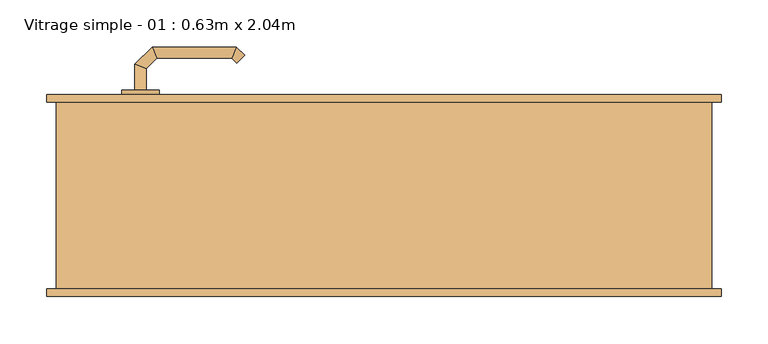
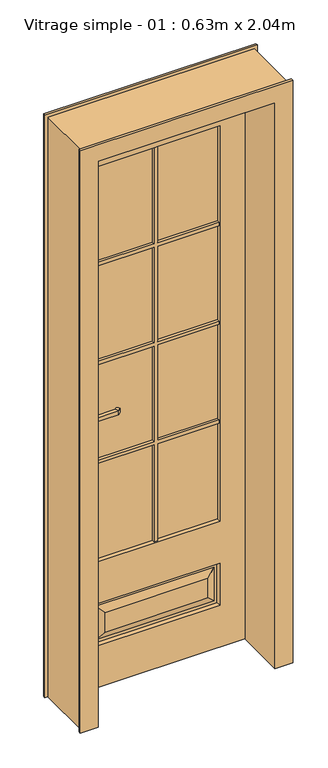
"""IFC4 building model written with IfcOpenShell, lengths in millimetres: door geometry, Vitrage simple - 01 : 0.63m x 2.04m."""

from ifc_helpers import new_model, si_unit, point, frame, frame_2d, origin, place, context, project, spatial, polyline, circle_curve, ellipse_curve, trimmed, segment, composite_curve, outline, extrude, faceted_brep, source, transform, mapped, element, save
from ifc_brep_helpers import plane_surface, cylinder_surface, advanced_brep


def vitrage_simple_01_0_63m_x_2_04m_918a345c(model_context):
    return source(origin(), model_context, "Body", "SolidModel", [
        advanced_brep(
        [(-254.0, 63.0, 993.0), (-266.0, 63.0, 993.0), (-266.0, 63.0, 1007.0), (-254.0, 63.0, 1007.0), (-254.0, 40.5147955, 1007.0), (-254.0, 40.5147955, 993.0), (-266.0, 35.5442327, 1007.0), (-266.0, 35.5442327, 993.0), (-242.5147186, 29.0295141, 1007.0), (-242.5147186, 29.0295141, 993.0), (-247.4852814, 17.0295141, 1007.0), (-247.4852814, 17.0295141, 993.0), (-162.4394977, 29.0295141, 1007.0), (-162.4394977, 29.0295141, 993.0), (-157.468935, 17.0295141, 1007.0), (-157.468935, 17.0295141, 993.0), (-157.1257892, 34.3432226, 993.0), (-157.1257892, 34.3432226, 1007.0), (-148.6405078, 25.8579412, 1007.0), (-148.6405078, 25.8579412, 993.0)],
        [
            (0, 1, circle_curve(frame((-260.0, 63.0, 1013.0457722), z_axis=(0.0, 1.0, 0.0), x_axis=(-1.0, 0.0, 0.0)), 20.9244589)),
            (1, 2),
            (2, 3, circle_curve(frame((-260.0, 63.0, 986.9542278), z_axis=(0.0, 1.0, 0.0), x_axis=(-1.0, 0.0, 0.0)), 20.9244589)),
            (3, 0),
            (3, 4),
            (4, 5),
            (5, 0),
            (2, 6),
            (6, 4, ellipse_curve(frame((-260.0, 38.0295141, 986.9542278), z_axis=(-0.38268343236510893, 0.9238795325112789, 0.0), x_axis=(0.9238795325112789, 0.3826834323651087, 0.0)), 22.6484711, 20.9244589)),
            (1, 7),
            (7, 6),
            (5, 7, ellipse_curve(frame((-260.0, 38.0295141, 1013.0457722), z_axis=(-0.38268343236510893, 0.9238795325112789, 0.0), x_axis=(0.9238795325112789, 0.3826834323651087, 0.0)), 22.6484711, 20.9244589)),
            (4, 8),
            (8, 9),
            (9, 5),
            (6, 10),
            (10, 8, ellipse_curve(frame((-245.0, 23.0295141, 986.9542278), z_axis=(-0.9238795325112946, 0.38268343236507063, 0.0), x_axis=(0.3826834323650701, 0.9238795325112948, 0.0)), 22.6484711, 20.9244589)),
            (7, 11),
            (11, 10),
            (9, 11, ellipse_curve(frame((-245.0, 23.0295141, 1013.0457722), z_axis=(-0.9238795325112946, 0.38268343236507063, 0.0), x_axis=(0.3826834323650701, 0.9238795325112948, 0.0)), 22.6484711, 20.9244589)),
            (8, 12),
            (12, 13),
            (13, 9),
            (10, 14),
            (14, 12, ellipse_curve(frame((-159.9542163, 23.0295141, 986.9542278), z_axis=(-0.9238795325113071, -0.38268343236504027, 0.0), x_axis=(-0.38268343236504115, 0.9238795325113068, 0.0)), 22.6484711, 20.9244589)),
            (11, 15),
            (15, 14),
            (13, 15, ellipse_curve(frame((-159.9542163, 23.0295141, 1013.0457722), z_axis=(-0.9238795325113071, -0.38268343236504027, 0.0), x_axis=(-0.38268343236504115, 0.9238795325113068, 0.0)), 22.6484711, 20.9244589)),
            (16, 17),
            (17, 18, circle_curve(frame((-152.8831485, 30.1005819, 986.9542278), z_axis=(0.7071067811866232, 0.7071067811864719, 0.0), x_axis=(0.7071067811864719, -0.7071067811866232, 0.0)), 20.9244589)),
            (18, 19),
            (19, 16, circle_curve(frame((-152.8831485, 30.1005819, 1013.0457722), z_axis=(0.7071067811866232, 0.7071067811864719, 0.0), x_axis=(0.7071067811864719, -0.7071067811866232, 0.0)), 20.9244589)),
            (12, 17),
            (16, 13),
            (14, 18),
            (15, 19),
        ],
        [
            plane_surface(frame((-269.2195445, 63.0, 1000.0), z_axis=(0.0, 1.0, 0.0), x_axis=(0.0, 0.0, 1.0))),
            plane_surface(frame((-254.0, 63.0, 993.0), z_axis=(1.0, 0.0, 0.0), x_axis=(0.0, -1.0, 0.0))),
            cylinder_surface(frame((-260.0, 63.0, 986.9542278), z_axis=(0.0, 1.0, 0.0), x_axis=(-1.0, 0.0, 0.0)), 20.9244589),
            plane_surface(frame((-266.0, 63.0, 1007.0), z_axis=(-1.0, 0.0, 0.0), x_axis=(0.0, -1.0, 0.0))),
            cylinder_surface(frame((-260.0, 63.0, 1013.0457722), z_axis=(0.0, 1.0, 0.0), x_axis=(-1.0, 0.0, 0.0)), 20.9244589),
            plane_surface(frame((-254.0, 40.5147955, 993.0), z_axis=(0.7071067811865182, 0.707106781186577, 0.0), x_axis=(0.707106781186577, -0.7071067811865182, 0.0))),
            cylinder_surface(frame((-260.0, 38.0295141, 986.9542278), z_axis=(-0.7071067811865768, 0.7071067811865183, 0.0), x_axis=(-0.7071067811865183, -0.7071067811865768, 0.0)), 20.9244589),
            plane_surface(frame((-266.0, 35.5442327, 1007.0), z_axis=(-0.7071067811865184, -0.7071067811865767, 0.0), x_axis=(0.7071067811865767, -0.7071067811865184, 0.0))),
            cylinder_surface(frame((-260.0, 38.0295141, 1013.0457722), z_axis=(-0.7071067811865768, 0.7071067811865183, 0.0), x_axis=(-0.7071067811865183, -0.7071067811865768, 0.0)), 20.9244589),
            plane_surface(frame((-242.5147186, 29.0295141, 993.0), z_axis=(0.0, 1.0, 0.0), x_axis=(1.0, 0.0, 0.0))),
            cylinder_surface(frame((-245.0, 23.0295141, 986.9542278), z_axis=(-1.0, 0.0, 0.0), x_axis=(0.0, -1.0, 0.0)), 20.9244589),
            plane_surface(frame((-247.4852814, 17.0295141, 1007.0), z_axis=(0.0, -1.0, 0.0), x_axis=(1.0, 0.0, 0.0))),
            cylinder_surface(frame((-245.0, 23.0295141, 1013.0457722), z_axis=(-1.0, 0.0, 0.0), x_axis=(0.0, -1.0, 0.0)), 20.9244589),
            plane_surface(frame((-152.8831485, 30.1005819, 990.7804555), z_axis=(0.7071067811866233, 0.7071067811864719, 0.0), x_axis=(0.7071067811864719, -0.7071067811866233, 0.0))),
            plane_surface(frame((-162.4394977, 29.0295141, 993.0), z_axis=(-0.7071067811864713, 0.7071067811866238, 0.0), x_axis=(0.7071067811866238, 0.7071067811864713, 0.0))),
            cylinder_surface(frame((-159.9542163, 23.0295141, 986.9542278), z_axis=(-0.7071067811866232, -0.7071067811864719, 0.0), x_axis=(0.7071067811864719, -0.7071067811866232, 0.0)), 20.9244589),
            plane_surface(frame((-157.468935, 17.0295141, 1007.0), z_axis=(0.7071067811864721, -0.707106781186623, 0.0), x_axis=(0.707106781186623, 0.7071067811864721, 0.0))),
            cylinder_surface(frame((-159.9542163, 23.0295141, 1013.0457722), z_axis=(-0.7071067811866232, -0.7071067811864719, 0.0), x_axis=(0.7071067811864719, -0.7071067811866232, 0.0)), 20.9244589),
        ],
        [
            (0, [[1, 2, 3, 4]]),
            (1, [[5, 6, 7, -4]]),
            (2, [[8, 9, -5, -3]]),
            (3, [[10, 11, -8, -2]]),
            (4, [[-7, 12, -10, -1]]),
            (5, [[13, 14, 15, -6]]),
            (6, [[16, 17, -13, -9]]),
            (7, [[18, 19, -16, -11]]),
            (8, [[-15, 20, -18, -12]]),
            (9, [[21, 22, 23, -14]]),
            (10, [[24, 25, -21, -17]]),
            (11, [[26, 27, -24, -19]]),
            (12, [[-23, 28, -26, -20]]),
            (13, [[29, 30, 31, 32]]),
            (14, [[33, -29, 34, -22]]),
            (15, [[35, -30, -33, -25]]),
            (16, [[36, -31, -35, -27]]),
            (17, [[-34, -32, -36, -28]]),
        ],
    ),
        advanced_brep(
        [(-266.0, 113.0, 1007.0), (-266.0, 113.0, 993.0), (-254.0, 113.0, 993.0), (-254.0, 113.0, 1007.0), (-254.0, 135.680388, 1007.0), (-266.0, 140.6509507, 1007.0), (-254.0, 135.680388, 993.0), (-266.0, 140.6509507, 993.0), (-242.6522273, 147.0281607, 1007.0), (-247.62279, 159.0281607, 1007.0), (-242.6522273, 147.0281607, 993.0), (-247.62279, 159.0281607, 993.0), (-162.4666408, 147.0281607, 1007.0), (-157.496078, 159.0281607, 1007.0), (-162.4666408, 147.0281607, 993.0), (-157.496078, 159.0281607, 993.0), (-148.6676509, 150.1997336, 1007.0), (-157.1529323, 141.7144522, 1007.0), (-157.1529323, 141.7144522, 993.0), (-148.6676509, 150.1997336, 993.0)],
        [
            (0, 1),
            (1, 2, circle_curve(frame((-260.0, 113.0, 1013.0457722), z_axis=(0.0, -1.0, 0.0), x_axis=(1.0, 0.0, 0.0)), 20.9244589)),
            (2, 3),
            (3, 0, circle_curve(frame((-260.0, 113.0, 986.9542278), z_axis=(0.0, -1.0, 0.0), x_axis=(1.0, 0.0, 0.0)), 20.9244589)),
            (3, 4),
            (4, 5, ellipse_curve(frame((-260.0, 138.1656693, 986.9542278), z_axis=(-0.3826834323651093, -0.9238795325112789, 0.0), x_axis=(0.9238795325112791, -0.38268343236510843, 0.0)), 22.6484711, 20.9244589)),
            (5, 0),
            (2, 6),
            (6, 4),
            (1, 7),
            (7, 6, ellipse_curve(frame((-260.0, 138.1656693, 1013.0457722), z_axis=(-0.3826834323651093, -0.9238795325112789, 0.0), x_axis=(0.9238795325112791, -0.38268343236510843, 0.0)), 22.6484711, 20.9244589)),
            (5, 7),
            (4, 8),
            (8, 9, ellipse_curve(frame((-245.1375086, 153.0281607, 986.9542278), z_axis=(-0.9238795325112947, -0.38268343236507024, 0.0), x_axis=(0.3826834323650698, -0.9238795325112951, 0.0)), 22.6484711, 20.9244589)),
            (9, 5),
            (6, 10),
            (10, 8),
            (7, 11),
            (11, 10, ellipse_curve(frame((-245.1375086, 153.0281607, 1013.0457722), z_axis=(-0.9238795325112947, -0.38268343236507024, 0.0), x_axis=(0.3826834323650698, -0.9238795325112951, 0.0)), 22.6484711, 20.9244589)),
            (9, 11),
            (8, 12),
            (12, 13, ellipse_curve(frame((-159.9813594, 153.0281607, 986.9542278), z_axis=(-0.9238795325112743, 0.3826834323651198, 0.0), x_axis=(-0.38268343236511987, -0.9238795325112744, 0.0)), 22.6484711, 20.9244589)),
            (13, 9),
            (10, 14),
            (14, 12),
            (11, 15),
            (15, 14, ellipse_curve(frame((-159.9813594, 153.0281607, 1013.0457722), z_axis=(-0.9238795325112743, 0.3826834323651198, 0.0), x_axis=(-0.38268343236511987, -0.9238795325112744, 0.0)), 22.6484711, 20.9244589)),
            (13, 15),
            (16, 17, circle_curve(frame((-152.9102916, 145.9570929, 986.9542278), z_axis=(0.7071067811865017, -0.7071067811865933, 0.0), x_axis=(-0.7071067811865933, -0.7071067811865017, 0.0)), 20.9244589)),
            (17, 18),
            (18, 19, circle_curve(frame((-152.9102916, 145.9570929, 1013.0457722), z_axis=(0.7071067811865017, -0.7071067811865933, 0.0), x_axis=(-0.7071067811865933, -0.7071067811865017, 0.0)), 20.9244589)),
            (19, 16),
            (12, 17),
            (16, 13),
            (14, 18),
            (15, 19),
        ],
        [
            plane_surface(frame((-269.2195445, 113.0, 1000.0), z_axis=(0.0, -1.0, 0.0), x_axis=(0.0, 0.0, -1.0))),
            cylinder_surface(frame((-260.0, 113.0, 986.9542278), z_axis=(0.0, -1.0, 0.0), x_axis=(1.0, 0.0, 0.0)), 20.9244589),
            plane_surface(frame((-254.0, 113.0, 1007.0), z_axis=(1.0, 0.0, 0.0), x_axis=(0.0, 1.0, 0.0))),
            cylinder_surface(frame((-260.0, 113.0, 1013.0457722), z_axis=(0.0, -1.0, 0.0), x_axis=(1.0, 0.0, 0.0)), 20.9244589),
            plane_surface(frame((-266.0, 113.0, 993.0), z_axis=(-1.0, 0.0, 0.0), x_axis=(0.0, 1.0, 0.0))),
            cylinder_surface(frame((-260.0, 138.1656693, 986.9542278), z_axis=(-0.7071067811865772, -0.7071067811865177, 0.0), x_axis=(0.7071067811865177, -0.7071067811865772, 0.0)), 20.9244589),
            plane_surface(frame((-254.0, 135.680388, 1007.0), z_axis=(0.707106781186518, -0.7071067811865771, 0.0), x_axis=(0.7071067811865771, 0.707106781186518, 0.0))),
            cylinder_surface(frame((-260.0, 138.1656693, 1013.0457722), z_axis=(-0.7071067811865772, -0.7071067811865177, 0.0), x_axis=(0.7071067811865177, -0.7071067811865772, 0.0)), 20.9244589),
            plane_surface(frame((-266.0, 140.6509507, 993.0), z_axis=(-0.7071067811865179, 0.7071067811865772, 0.0), x_axis=(0.7071067811865772, 0.7071067811865179, 0.0))),
            cylinder_surface(frame((-245.1375086, 153.0281607, 986.9542278), z_axis=(-1.0, 0.0, 0.0), x_axis=(0.0, -1.0, 0.0)), 20.9244589),
            plane_surface(frame((-242.6522273, 147.0281607, 1007.0), z_axis=(0.0, -1.0, 0.0), x_axis=(1.0, 0.0, 0.0))),
            cylinder_surface(frame((-245.1375086, 153.0281607, 1013.0457722), z_axis=(-1.0, 0.0, 0.0), x_axis=(0.0, -1.0, 0.0)), 20.9244589),
            plane_surface(frame((-247.62279, 159.0281607, 993.0), z_axis=(0.0, 1.0, 0.0), x_axis=(1.0, 0.0, 0.0))),
            plane_surface(frame((-152.9102916, 145.9570929, 1009.2195445), z_axis=(0.7071067811865019, -0.7071067811865932, 0.0), x_axis=(0.7071067811865932, 0.7071067811865019, 0.0))),
            cylinder_surface(frame((-159.9813594, 153.0281607, 986.9542278), z_axis=(-0.7071067811865017, 0.7071067811865933, 0.0), x_axis=(-0.7071067811865933, -0.7071067811865017, 0.0)), 20.9244589),
            plane_surface(frame((-162.4666408, 147.0281607, 1007.0), z_axis=(-0.7071067811865925, -0.7071067811865025, 0.0), x_axis=(0.7071067811865025, -0.7071067811865925, 0.0))),
            cylinder_surface(frame((-159.9813594, 153.0281607, 1013.0457722), z_axis=(-0.7071067811865017, 0.7071067811865933, 0.0), x_axis=(-0.7071067811865933, -0.7071067811865017, 0.0)), 20.9244589),
            plane_surface(frame((-157.496078, 159.0281607, 993.0), z_axis=(0.7071067811865936, 0.7071067811865015, 0.0), x_axis=(0.7071067811865015, -0.7071067811865936, 0.0))),
        ],
        [
            (0, [[1, 2, 3, 4]]),
            (1, [[5, 6, 7, -4]]),
            (2, [[8, 9, -5, -3]]),
            (3, [[10, 11, -8, -2]]),
            (4, [[-7, 12, -10, -1]]),
            (5, [[13, 14, 15, -6]]),
            (6, [[16, 17, -13, -9]]),
            (7, [[18, 19, -16, -11]]),
            (8, [[-15, 20, -18, -12]]),
            (9, [[21, 22, 23, -14]]),
            (10, [[24, 25, -21, -17]]),
            (11, [[26, 27, -24, -19]]),
            (12, [[-23, 28, -26, -20]]),
            (13, [[29, 30, 31, 32]]),
            (14, [[33, -29, 34, -22]]),
            (15, [[35, -30, -33, -25]]),
            (16, [[36, -31, -35, -27]]),
            (17, [[-34, -32, -36, -28]]),
        ],
    ),
        extrude(outline(composite_curve([segment(trimmed(circle_curve(frame_2d((1045.3589838, -260.0)), 40.0), [point((1080.0, -240.0))], [point((1080.0, -280.0))], False, "CARTESIAN"), True, "CONTINUOUS"), segment(polyline([(1080.0, -280.0), (870.0, -280.0)]), True, "CONTINUOUS"), segment(trimmed(circle_curve(frame_2d((904.6410162, -260.0)), 40.0), [point((870.0, -280.0))], [point((870.0, -240.0))], False, "CARTESIAN"), True, "CONTINUOUS"), segment(polyline([(870.0, -240.0), (1080.0, -240.0)]), True, "CONTINUOUS")], self_intersect=False)), frame((0.0, 63.0, 0.0), z_axis=(0.0, 1.0, 0.0), x_axis=(0.0, 0.0, 1.0)), (0.0, 0.0, 1.0), 5.0),
        extrude(outline(composite_curve([segment(trimmed(circle_curve(frame_2d((904.6410162, -260.0)), 40.0), [point((870.0, -280.0))], [point((870.0, -240.0))], False, "CARTESIAN"), True, "CONTINUOUS"), segment(polyline([(870.0, -240.0), (1080.0, -240.0)]), True, "CONTINUOUS"), segment(trimmed(circle_curve(frame_2d((1045.3589838, -260.0)), 40.0), [point((1080.0, -240.0))], [point((1080.0, -280.0))], False, "CARTESIAN"), True, "CONTINUOUS"), segment(polyline([(1080.0, -280.0), (870.0, -280.0)]), True, "CONTINUOUS")], self_intersect=False)), frame((0.0, 108.0, 0.0), z_axis=(0.0, 1.0, 0.0), x_axis=(0.0, 0.0, 1.0)), (0.0, 0.0, 1.0), 5.0),
        faceted_brep([(-350.0, 100.0, 0.0), (-360.0, 100.0, 0.0), (-360.0, 108.0, 0.0), (-315.0, 108.0, 0.0), (-315.0, 68.0, 0.0), (-300.0, 68.0, 0.0), (-300.0, -108.0, 0.0), (-360.0, -108.0, 0.0), (-360.0, -100.0, 0.0), (-350.0, -100.0, 0.0), (-350.0, -100.0, 2075.0), (-350.0, 100.0, 2075.0), (-360.0, -100.0, 2085.0), (360.0, -100.0, 2085.0), (360.0, -100.0, 0.0), (350.0, -100.0, 0.0), (350.0, -100.0, 2075.0), (-360.0, -108.0, 2085.0), (-300.0, -108.0, 2025.0), (300.0, -108.0, 2025.0), (300.0, -108.0, 0.0), (360.0, -108.0, 0.0), (360.0, -108.0, 2085.0), (-300.0, 68.0, 2025.0), (-315.0, 68.0, 2040.0), (315.0, 68.0, 2040.0), (315.0, 68.0, 0.0), (300.0, 68.0, 0.0), (300.0, 68.0, 2025.0), (-315.0, 108.0, 2040.0), (-360.0, 108.0, 2085.0), (360.0, 108.0, 2085.0), (360.0, 108.0, 0.0), (315.0, 108.0, 0.0), (315.0, 108.0, 2040.0), (-360.0, 100.0, 2085.0), (350.0, 100.0, 2075.0), (350.0, 100.0, 0.0), (360.0, 100.0, 0.0), (360.0, 100.0, 2085.0)], [[[0, 1, 2, 3, 4, 5, 6, 7, 8, 9]], [[9, 10, 11, 0]], [[8, 12, 13, 14, 15, 16, 10, 9]], [[7, 17, 12, 8]], [[6, 18, 19, 20, 21, 22, 17, 7]], [[5, 23, 18, 6]], [[4, 24, 25, 26, 27, 28, 23, 5]], [[3, 29, 24, 4]], [[2, 30, 31, 32, 33, 34, 29, 3]], [[1, 35, 30, 2]], [[0, 11, 36, 37, 38, 39, 35, 1]], [[15, 37, 36, 16]], [[14, 21, 20, 27, 26, 33, 32, 38, 37, 15]], [[13, 22, 21, 14]], [[19, 28, 27, 20]], [[25, 34, 33, 26]], [[31, 39, 38, 32]], [[10, 16, 36, 11]], [[12, 17, 22, 13]], [[18, 23, 28, 19]], [[24, 29, 34, 25]], [[30, 35, 39, 31]]]),
        extrude(outline(polyline([(215.0, 93.0), (215.0, 83.0), (-215.0, 83.0), (-215.0, 93.0), (215.0, 93.0)])), frame((0.0, 0.0, 450.0), z_axis=(0.0, 0.0, 1.0), x_axis=(1.0, 0.0, 0.0)), (0.0, 0.0, 1.0), 1415.0),
        faceted_brep([(-315.0, 108.0, 2040.0), (315.0, 108.0, 2040.0), (315.0, 108.0, 0.0), (-315.0, 108.0, 0.0), (215.0, 108.0, 1865.0), (-215.0, 108.0, 1865.0), (-215.0, 108.0, 450.0), (215.0, 108.0, 450.0), (215.0, 108.0, 300.0), (-215.0, 108.0, 300.0), (-215.0, 108.0, 150.0), (215.0, 108.0, 150.0), (175.0, 108.0, 190.0), (-175.0, 108.0, 190.0), (-175.0, 108.0, 260.0), (175.0, 108.0, 260.0), (-315.0, 68.0, 2040.0), (-315.0, 68.0, 0.0), (315.0, 68.0, 0.0), (315.0, 68.0, 2040.0), (215.0, 68.0, 1865.0), (215.0, 68.0, 450.0), (-215.0, 68.0, 450.0), (-215.0, 68.0, 1865.0), (-215.0, 68.0, 300.0), (215.0, 68.0, 300.0), (215.0, 68.0, 150.0), (-215.0, 68.0, 150.0), (-175.0, 68.0, 190.0), (175.0, 68.0, 190.0), (175.0, 68.0, 260.0), (-175.0, 68.0, 260.0), (200.0, 98.0, 285.0), (200.0, 98.0, 165.0), (210.0, 98.0, 295.0), (210.0, 98.0, 155.0), (-200.0, 98.0, 165.0), (-210.0, 98.0, 155.0), (-200.0, 98.0, 285.0), (-210.0, 98.0, 295.0), (-200.0, 78.0, 285.0), (-200.0, 78.0, 165.0), (-210.0, 78.0, 295.0), (-210.0, 78.0, 155.0), (200.0, 78.0, 165.0), (210.0, 78.0, 155.0), (200.0, 78.0, 285.0), (210.0, 78.0, 295.0)], [[[0, 1, 2, 3], [4, 5, 6, 7], [8, 9, 10, 11]], [[12, 13, 14, 15]], [[16, 17, 18, 19], [20, 21, 22, 23], [24, 25, 26, 27]], [[28, 29, 30, 31]], [[3, 17, 16, 0]], [[2, 18, 17, 3]], [[1, 19, 18, 2]], [[0, 16, 19, 1]], [[7, 21, 20, 4]], [[6, 22, 21, 7]], [[5, 23, 22, 6]], [[4, 20, 23, 5]], [[12, 15, 32, 33]], [[34, 8, 11, 35]], [[33, 36, 13, 12]], [[11, 10, 37, 35]], [[36, 38, 14, 13]], [[10, 9, 39, 37]], [[35, 37, 39, 34], [32, 38, 36, 33]], [[15, 14, 38, 32]], [[34, 39, 9, 8]], [[28, 31, 40, 41]], [[42, 24, 27, 43]], [[41, 44, 29, 28]], [[27, 26, 45, 43]], [[44, 46, 30, 29]], [[26, 25, 47, 45]], [[43, 45, 47, 42], [40, 46, 44, 41]], [[31, 30, 46, 40]], [[42, 47, 25, 24]]]),
        extrude(outline(polyline([(450.0, 6.0), (797.75, 6.0), (797.75, 215.0), (809.75, 215.0), (809.75, 6.0), (1151.5, 6.0), (1151.5, 215.0), (1163.5, 215.0), (1163.5, 6.0), (1505.25, 6.0), (1505.25, 215.0), (1517.25, 215.0), (1517.25, 6.0), (1865.0, 6.0), (1865.0, -6.0), (1517.25, -6.0), (1517.25, -215.0), (1505.25, -215.0), (1505.25, -6.0), (1163.5, -6.0), (1163.5, -215.0), (1151.5, -215.0), (1151.5, -6.0), (809.75, -6.0), (809.75, -215.0), (797.75, -215.0), (797.75, -6.0), (450.0, -6.0), (450.0, 6.0)])), frame((0.0, 93.0, 0.0), z_axis=(0.0, 1.0, 0.0), x_axis=(0.0, 0.0, 1.0)), (0.0, 0.0, 1.0), 10.0),
        extrude(outline(polyline([(450.0, 6.0), (797.75, 6.0), (797.75, 215.0), (809.75, 215.0), (809.75, 6.0), (1151.5, 6.0), (1151.5, 215.0), (1163.5, 215.0), (1163.5, 6.0), (1505.25, 6.0), (1505.25, 215.0), (1517.25, 215.0), (1517.25, 6.0), (1865.0, 6.0), (1865.0, -6.0), (1517.25, -6.0), (1517.25, -215.0), (1505.25, -215.0), (1505.25, -6.0), (1163.5, -6.0), (1163.5, -215.0), (1151.5, -215.0), (1151.5, -6.0), (809.75, -6.0), (809.75, -215.0), (797.75, -215.0), (797.75, -6.0), (450.0, -6.0), (450.0, 6.0)])), frame((0.0, 73.0, 0.0), z_axis=(0.0, 1.0, 0.0), x_axis=(0.0, 0.0, 1.0)), (0.0, 0.0, 1.0), 10.0),
    ])


if __name__ == "__main__":
    model = new_model("IFC4")
    model_context = context("Model", 3, world=origin())
    ifc_project = project(units=[si_unit("LENGTHUNIT", "METRE", prefix="MILLI")], contexts=[model_context])
    site = spatial("IfcSite", under=ifc_project)
    building = spatial("IfcBuilding", under=site)
    placement = place(None, origin())
    vitrage_simple_01_0_63m_x_2_04m_shape = vitrage_simple_01_0_63m_x_2_04m_918a345c(model_context)
    element("IfcDoor", 1, ObjectType="Vitrage simple - 01 : 0.63m x 2.04m", at=placement, inside=building, context=model_context, shape_type="MappedRepresentation", body=[
        mapped(vitrage_simple_01_0_63m_x_2_04m_shape, transform((0.0, 0.0, 0.0), x_axis=(1.0, 0.0, 0.0), y_axis=(0.0, 1.0, 0.0), z_axis=(0.0, 0.0, 1.0))),
    ])
    save(model, "model.ifc")
